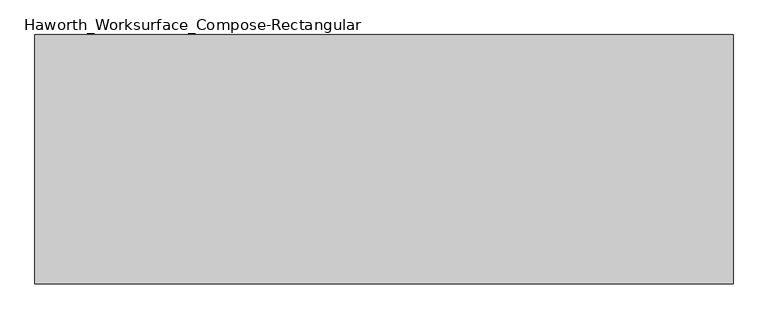
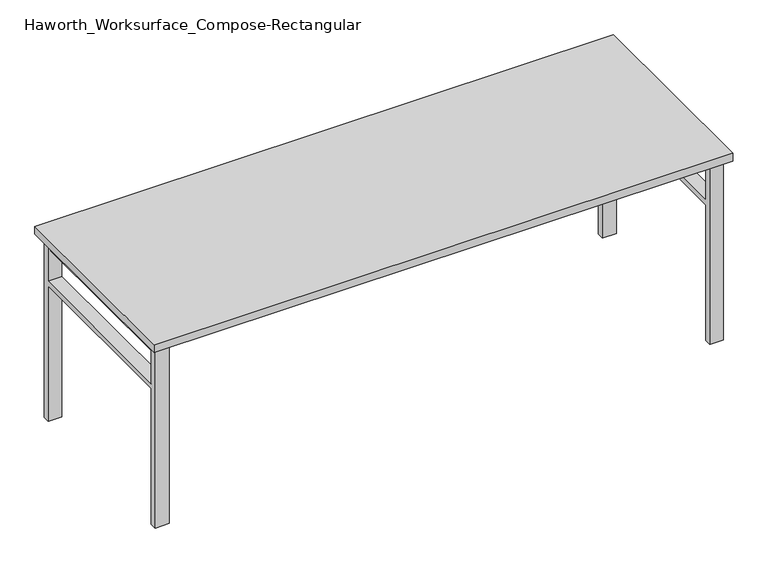
"""IFC4 building model written with IfcOpenShell, lengths in millimetres: furniture geometry, Haworth_Worksurface_Compose-Rectangular."""

from ifc_helpers import new_model, si_unit, frame, origin, place, context, project, spatial, polyline, outline, extrude, source, transform, mapped, element, save


def haworth_worksurface_compose_rectangular_12cc1643(model_context):
    return source(origin(), model_context, "Body", "SweptSolid", [
        extrude(outline(polyline([(1038.225, 330.2), (1038.225, -330.2), (1006.475, -330.2), (1006.475, 330.2), (1038.225, 330.2)])), frame((0.0, 0.0, 661.9875), z_axis=(0.0, 0.0, 1.0), x_axis=(1.0, 0.0, 0.0)), (0.0, 0.0, 1.0), 44.45),
        extrude(outline(polyline([(-330.2, 528.6375), (-330.2, 0.0), (-355.6, 0.0), (-355.6, 706.4375), (-330.2, 706.4375), (-330.2, 547.6875), (330.2, 547.6875), (330.2, 706.4375), (355.6, 706.4375), (355.6, 0.0), (330.2, 0.0), (330.2, 528.6375), (-330.2, 528.6375)])), frame((996.95, 0.0, 0.0), z_axis=(1.0, 0.0, 0.0), x_axis=(0.0, 1.0, 0.0)), (0.0, 0.0, 1.0), 50.8),
        extrude(outline(polyline([(-1006.475, 330.2), (-1006.475, -330.2), (-1038.225, -330.2), (-1038.225, 330.2), (-1006.475, 330.2)])), frame((0.0, 0.0, 661.9875), z_axis=(0.0, 0.0, 1.0), x_axis=(1.0, 0.0, 0.0)), (0.0, 0.0, 1.0), 44.45),
        extrude(outline(polyline([(-330.2, 528.6375), (-330.2, 0.0), (-355.6, 0.0), (-355.6, 706.4375), (-330.2, 706.4375), (-330.2, 547.6875), (330.2, 547.6875), (330.2, 706.4375), (355.6, 706.4375), (355.6, 0.0), (330.2, 0.0), (330.2, 528.6375), (-330.2, 528.6375)])), frame((-1047.75, 0.0, 0.0), z_axis=(1.0, 0.0, 0.0), x_axis=(0.0, 1.0, 0.0)), (0.0, 0.0, 1.0), 50.8),
        extrude(outline(polyline([(1066.8, 381.0), (1066.8, -381.0), (-1066.8, -381.0), (-1066.8, 381.0), (1066.8, 381.0)])), frame((0.0, 0.0, 706.4375), z_axis=(0.0, 0.0, 1.0), x_axis=(1.0, 0.0, 0.0)), (0.0, 0.0, 1.0), 30.1625),
    ])


if __name__ == "__main__":
    model = new_model("IFC4")
    model_context = context("Model", 3, world=origin())
    ifc_project = project(units=[si_unit("LENGTHUNIT", "METRE", prefix="MILLI")], contexts=[model_context])
    site = spatial("IfcSite", under=ifc_project)
    building = spatial("IfcBuilding", under=site)
    placement = place(None, origin())
    haworth_worksurface_compose_rectangular_shape = haworth_worksurface_compose_rectangular_12cc1643(model_context)
    element("IfcFurniture", 1, ObjectType="Haworth_Worksurface_Compose-Rectangular", at=placement, inside=building, context=model_context, shape_type="MappedRepresentation", body=[
        mapped(haworth_worksurface_compose_rectangular_shape, transform((0.0, 0.0, 0.0), x_axis=(1.0, 0.0, 0.0), y_axis=(0.0, 1.0, 0.0), z_axis=(0.0, 0.0, 1.0))),
    ])
    save(model, "model.ifc")
